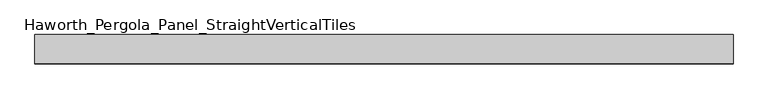
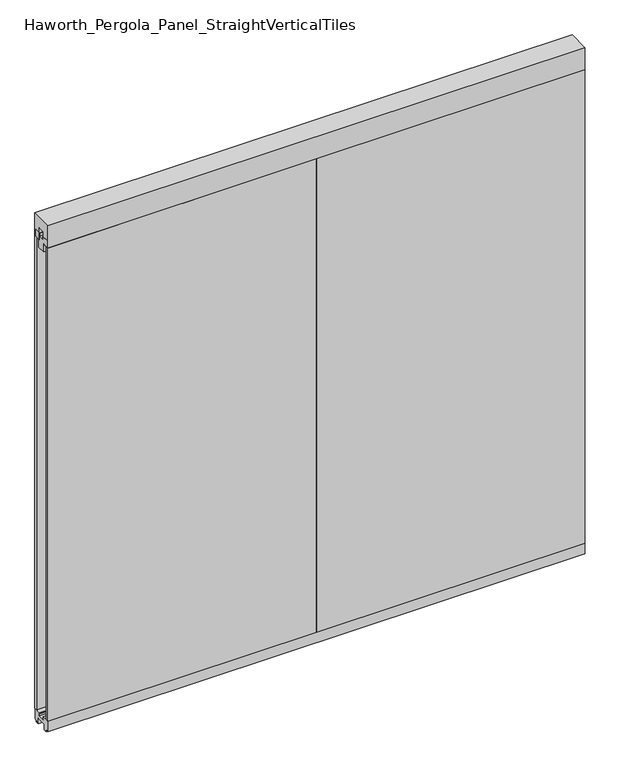
"""IFC4 building model written with IfcOpenShell, lengths in millimetres: furniture geometry, Haworth_Pergola_Panel_StraightVerticalTiles."""

from ifc_helpers import new_model, si_unit, frame, origin, place, context, project, spatial, polyline, outline, extrude, source, transform, mapped, element, save


def haworth_pergola_panel_straightverticaltiles_c5bcb944(model_context):
    return source(origin(), model_context, "Body", "SweptSolid", [
        extrude(outline(polyline([(12.7, 2363.5890625), (44.45, 2363.5890625), (44.45, 2331.8390625), (19.05, 2331.8390625), (19.05, 2293.7390625), (-19.05, 2293.7390625), (-19.05, 2331.8390625), (-44.45, 2331.8390625), (-44.45, 2363.5890625), (-12.7, 2363.5890625), (-12.7, 2350.8890625), (12.7, 2350.8890625), (12.7, 2363.5890625)])), frame((38.1, 0.0, 0.0), z_axis=(1.0, 0.0, 0.0), x_axis=(0.0, 1.0, 0.0)), (0.0, 0.0, 1.0), 1219.2),
        extrude(outline(polyline([(38.1, 50.8), (1257.3, 50.8), (1257.3, 38.1), (38.1, 38.1), (38.1, 50.8)])), frame((0.0, 0.0, 63.5), z_axis=(0.0, 0.0, 1.0), x_axis=(1.0, 0.0, 0.0)), (0.0, 0.0, 1.0), 2268.3390625),
        extrude(outline(polyline([(38.1, -38.1), (1257.3, -38.1), (1257.3, -50.8), (38.1, -50.8), (38.1, -38.1)])), frame((0.0, 0.0, 63.5), z_axis=(0.0, 0.0, 1.0), x_axis=(1.0, 0.0, 0.0)), (0.0, 0.0, 1.0), 2268.3390625),
        extrude(outline(polyline([(12.7, 2363.5890625), (44.45, 2363.5890625), (44.45, 2331.8390625), (19.05, 2331.8390625), (19.05, 2293.7390625), (-19.05, 2293.7390625), (-19.05, 2331.8390625), (-44.45, 2331.8390625), (-44.45, 2363.5890625), (-12.7, 2363.5890625), (-12.7, 2350.8890625), (12.7, 2350.8890625), (12.7, 2363.5890625)])), frame((-1181.1, 0.0, 0.0), z_axis=(1.0, 0.0, 0.0), x_axis=(0.0, 1.0, 0.0)), (0.0, 0.0, 1.0), 1219.2),
        extrude(outline(polyline([(-1181.1, 50.8), (38.1, 50.8), (38.1, 38.1), (-1181.1, 38.1), (-1181.1, 50.8)])), frame((0.0, 0.0, 63.5), z_axis=(0.0, 0.0, 1.0), x_axis=(1.0, 0.0, 0.0)), (0.0, 0.0, 1.0), 2268.3390625),
        extrude(outline(polyline([(-1181.1, -38.1), (38.1, -38.1), (38.1, -50.8), (-1181.1, -50.8), (-1181.1, -38.1)])), frame((0.0, 0.0, 63.5), z_axis=(0.0, 0.0, 1.0), x_axis=(1.0, 0.0, 0.0)), (0.0, 0.0, 1.0), 2268.3390625),
        extrude(outline(polyline([(-50.8, 2438.4), (50.8, 2438.4), (50.8, 2331.8390625), (15.2182948, 2331.8390625), (15.2182948, 2388.7001663), (-15.2182948, 2388.7001663), (-15.2182948, 2331.8390625), (-50.8, 2331.8390625), (-50.8, 2438.4)])), frame((-1181.1, 0.0, 0.0), z_axis=(1.0, 0.0, 0.0), x_axis=(0.0, 1.0, 0.0)), (0.0, 0.0, 1.0), 2438.4),
        extrude(outline(polyline([(-16.2000002, 63.5), (-16.5085717, 61.7499999), (-13.3999996, 61.7499999), (-13.3999996, 58.8973461), (-15.4000002, 59.2499999), (-15.4000002, 48.3500004), (15.4000003, 48.3500004), (15.4000003, 59.2499999), (13.3999997, 58.8973461), (13.3999997, 61.7499999), (16.5085718, 61.7499999), (16.2000003, 63.5), (50.0000004, 63.5), (50.0000004, 12.6999985), (40.9499987, 12.6999985), (38.9499981, 10.6999979), (28.9499999, 10.6999979), (28.9499999, 7.6999994), (38.9499981, 7.6999994), (38.9499981, 5.6999988), (23.7499993, 5.6999988), (23.7499993, 31.4500009), (-23.7499992, 31.4500009), (-23.7499992, 5.6999988), (-38.949998, 5.6999988), (-38.949998, 7.6999994), (-28.9499998, 7.6999994), (-28.9499998, 10.6999979), (-38.949998, 10.6999979), (-40.9499986, 12.6999985), (-50.0000003, 12.6999985), (-50.0000003, 63.5), (-16.2000002, 63.5)])), frame((-1181.1, 0.0, 0.0), z_axis=(1.0, 0.0, 0.0), x_axis=(0.0, 1.0, 0.0)), (0.0, 0.0, 1.0), 2438.4),
    ])


if __name__ == "__main__":
    model = new_model("IFC4")
    model_context = context("Model", 3, world=origin())
    ifc_project = project(units=[si_unit("LENGTHUNIT", "METRE", prefix="MILLI")], contexts=[model_context])
    site = spatial("IfcSite", under=ifc_project)
    building = spatial("IfcBuilding", under=site)
    placement = place(None, origin())
    haworth_pergola_panel_straightverticaltiles_shape = haworth_pergola_panel_straightverticaltiles_c5bcb944(model_context)
    element("IfcFurniture", 1, ObjectType="Haworth_Pergola_Panel_StraightVerticalTiles", at=placement, inside=building, context=model_context, shape_type="MappedRepresentation", body=[
        mapped(haworth_pergola_panel_straightverticaltiles_shape, transform((0.0, 0.0, 0.0), x_axis=(1.0, 0.0, 0.0), y_axis=(0.0, 1.0, 0.0), z_axis=(0.0, 0.0, 1.0))),
    ])
    save(model, "model.ifc")
